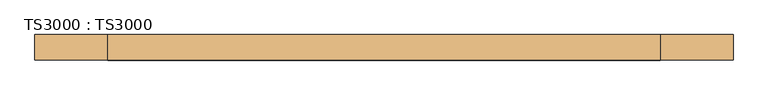
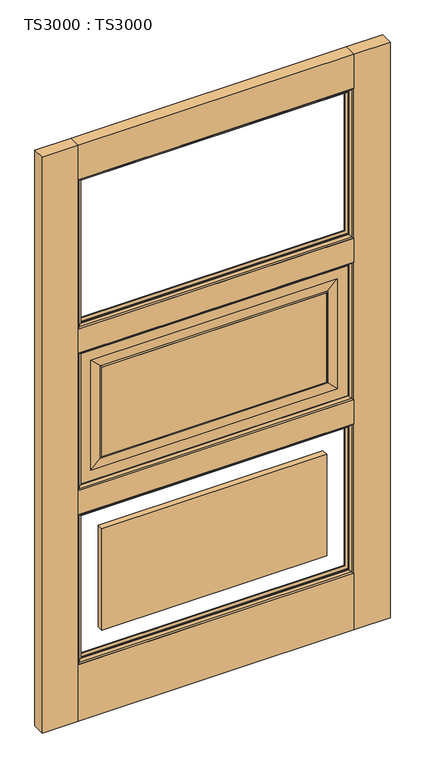
"""IFC4 building model written with IfcOpenShell, lengths in millimetres: door geometry, TS3000 : TS3000."""

from ifc_helpers import new_model, si_unit, frame, origin, origin_with_axes, place, context, project, spatial, polyline, ellipse_curve, outline, extrude, source, transform, mapped, element, save
from ifc_brep_helpers import plane_surface, revolved_surface, advanced_brep


def ts3000_ts3000_820fce27(model_context):
    return source(origin(), model_context, "Body", "SolidModel", [
        advanced_brep(
        [(1092.2, -12.7, 1363.1333333), (1092.2, -31.75, 1363.1333333), (1092.2, -31.75, 853.0166667), (1092.2, -12.7, 853.0166667), (127.0, -31.75, 1363.1333333), (127.0, -31.75, 853.0166667), (1041.4, -31.75, 903.8166667), (177.8, -31.75, 903.8166667), (177.8, -31.75, 1312.3333333), (1041.4, -31.75, 1312.3333333), (127.0, -12.7, 853.0166667), (127.0, -12.7, 1363.1333333), (1041.4, -12.7, 1312.3333333), (177.8, -12.7, 1312.3333333), (177.8, -12.7, 903.8166667), (1041.4, -12.7, 903.8166667), (1003.3, -33.3375, 1274.2333333), (1003.3, -11.1125, 1274.2333333), (1003.3, -11.1125, 941.9166667), (1003.3, -33.3375, 941.9166667), (1008.0625, -13.49375, 1278.9958333), (1008.0625, -13.49375, 937.1541667), (215.9, -11.1125, 941.9166667), (215.9, -33.3375, 941.9166667), (1008.0625, -30.95625, 1278.9958333), (1008.0625, -30.95625, 937.1541667), (211.1375, -13.49375, 937.1541667), (215.9, -11.1125, 1274.2333333), (215.9, -33.3375, 1274.2333333), (211.1375, -30.95625, 937.1541667), (211.1375, -13.49375, 1278.9958333), (211.1375, -30.95625, 1278.9958333)],
        [
            (0, 1),
            (1, 2),
            (2, 3),
            (3, 0),
            (1, 4),
            (4, 5),
            (5, 2),
            (6, 7),
            (7, 8),
            (8, 9),
            (9, 6),
            (5, 10),
            (10, 3),
            (10, 11),
            (11, 0),
            (12, 13),
            (13, 14),
            (14, 15),
            (15, 12),
            (16, 17),
            (17, 18),
            (18, 19),
            (19, 16),
            (17, 20, ellipse_curve(frame((1008.5585938, -6.5484375, 1279.4919271), z_axis=(-0.7071067811865475, 0.0, 0.7071067811865475), x_axis=(-0.7071067811865474, 0.0, -0.7071067811865476)), 9.8471798, 6.9630076)),
            (20, 21),
            (21, 18, ellipse_curve(frame((1008.5585938, -6.5484375, 936.6580729), z_axis=(-0.7071067811865475, 0.0, -0.7071067811865475), x_axis=(0.7071067811865474, 0.0, -0.7071067811865476)), 9.8471798, 6.9630076)),
            (18, 22),
            (22, 23),
            (23, 19),
            (24, 16, ellipse_curve(frame((1008.5585938, -37.9015625, 1279.4919271), z_axis=(-0.7071067811865475, 0.0, 0.7071067811865475), x_axis=(-0.7071067811865474, 0.0, -0.7071067811865476)), 9.8471798, 6.9630076)),
            (19, 25, ellipse_curve(frame((1008.5585938, -37.9015625, 936.6580729), z_axis=(-0.7071067811865475, 0.0, -0.7071067811865475), x_axis=(0.7071067811865474, 0.0, -0.7071067811865476)), 9.8471798, 6.9630076)),
            (25, 24),
            (4, 11),
            (21, 26),
            (26, 22, ellipse_curve(frame((210.6414063, -6.5484375, 936.6580729), z_axis=(-0.7071067811865475, 0.0, 0.7071067811865475), x_axis=(-0.7071067811865476, 0.0, -0.7071067811865474)), 9.8471798, 6.9630076)),
            (22, 27),
            (27, 28),
            (28, 23),
            (23, 29, ellipse_curve(frame((210.6414063, -37.9015625, 936.6580729), z_axis=(-0.7071067811865475, 0.0, 0.7071067811865475), x_axis=(-0.7071067811865476, 0.0, -0.7071067811865474)), 9.8471798, 6.9630076)),
            (29, 25),
            (26, 30),
            (30, 27, ellipse_curve(frame((210.6414063, -6.5484375, 1279.4919271), z_axis=(0.7071067811865475, 0.0, 0.7071067811865475), x_axis=(-0.7071067811865474, 0.0, 0.7071067811865476)), 9.8471798, 6.9630076)),
            (28, 31, ellipse_curve(frame((210.6414063, -37.9015625, 1279.4919271), z_axis=(0.7071067811865475, 0.0, 0.7071067811865475), x_axis=(-0.7071067811865474, 0.0, 0.7071067811865476)), 9.8471798, 6.9630076)),
            (31, 29),
            (6, 25),
            (29, 7),
            (31, 8),
            (9, 24),
            (26, 14),
            (13, 30),
            (21, 15),
            (20, 12),
            (27, 17),
            (16, 28),
            (31, 24),
            (20, 30),
        ],
        [
            plane_surface(frame((1092.2, -31.75, 1363.1333333), z_axis=(1.0, 0.0, 0.0), x_axis=(0.0, 0.0, -1.0))),
            plane_surface(frame((177.8, -31.75, 1312.3333333), z_axis=(0.0, -1.0, 0.0), x_axis=(1.0, 0.0, 0.0))),
            plane_surface(frame((1092.2, -31.75, 853.0166667), z_axis=(0.0, 0.0, -1.0), x_axis=(-1.0, 0.0, 0.0))),
            plane_surface(frame((127.0, -12.7, 1363.1333333), z_axis=(0.0, 1.0, 0.0), x_axis=(1.0, 0.0, 0.0))),
            plane_surface(frame((1003.3, -11.1125, 1274.2333333), z_axis=(-1.0, 0.0, 0.0), x_axis=(0.0, 0.0, -1.0))),
            revolved_surface(polyline([(1001.5955862000001, -6.5484375, 929.6950652878568), (1001.5955862000001, -6.5484375, 1286.4549347121433)]), (1008.5585938, -6.5484375, 1274.2333333), (0.0, 0.0, -1.0)),
            plane_surface(frame((1003.3, -11.1125, 941.9166667), z_axis=(0.0, 0.0, 1.0), x_axis=(-1.0, 0.0, 0.0))),
            revolved_surface(polyline([(1001.5955862000001, -37.9015625, 929.6950652878568), (1001.5955862000001, -37.9015625, 1286.4549347121433)]), (1008.5585938, -37.9015625, 1274.2333333), (0.0, 0.0, -1.0)),
            plane_surface(frame((127.0, -31.75, 853.0166667), z_axis=(-1.0, 0.0, 0.0), x_axis=(0.0, 0.0, 1.0))),
            revolved_surface(polyline([(203.67839868785677, -6.5484375, 943.6210805), (1015.5216014121432, -6.5484375, 943.6210805)]), (1003.3, -6.5484375, 936.6580729), (-1.0, 0.0, 0.0)),
            plane_surface(frame((215.9, -11.1125, 941.9166667), z_axis=(1.0, 0.0, 0.0), x_axis=(0.0, 0.0, 1.0))),
            revolved_surface(polyline([(203.67839868785677, -37.9015625, 943.6210805), (1015.5216014121432, -37.9015625, 943.6210805)]), (1003.3, -37.9015625, 936.6580729), (-1.0, 0.0, 0.0)),
            revolved_surface(polyline([(217.6044139, -6.5484375, 1286.4549347121433), (217.6044139, -6.5484375, 929.6950652878568)]), (210.6414063, -6.5484375, 941.9166667), (0.0, 0.0, 1.0)),
            revolved_surface(polyline([(217.6044139, -37.9015625, 1286.4549347121433), (217.6044139, -37.9015625, 929.6950652878568)]), (210.6414063, -37.9015625, 941.9166667), (0.0, 0.0, 1.0)),
            plane_surface(frame((1008.0625, -30.95625, 937.1541667), z_axis=(0.0, -0.9997166737441345, 0.023802777946362756), x_axis=(-1.0, 0.0, 0.0))),
            plane_surface(frame((211.1375, -30.95625, 937.1541667), z_axis=(0.023802777946359523, -0.9997166737441346, 0.0), x_axis=(0.0, 0.0, 1.0))),
            plane_surface(frame((1008.0625, -30.95625, 1278.9958333), z_axis=(-0.02380277794636599, -0.9997166737441344, 0.0), x_axis=(0.0, 0.0, -1.0))),
            plane_surface(frame((177.8, -12.7, 903.8166667), z_axis=(0.023802777946303297, 0.9997166737441359, 0.0), x_axis=(0.0, 0.0, 1.0))),
            plane_surface(frame((1041.4, -12.7, 903.8166667), z_axis=(0.0, 0.999716673744136, 0.023802777946300063), x_axis=(-1.0, 0.0, 0.0))),
            plane_surface(frame((1041.4, -12.7, 1312.3333333), z_axis=(-0.02380277794629683, 0.9997166737441361, 0.0), x_axis=(0.0, 0.0, -1.0))),
            plane_surface(frame((127.0, -31.75, 1363.1333333), z_axis=(0.0, 0.0, 1.0), x_axis=(1.0, 0.0, 0.0))),
            plane_surface(frame((215.9, -11.1125, 1274.2333333), z_axis=(0.0, 0.0, -1.0), x_axis=(1.0, 0.0, 0.0))),
            plane_surface(frame((211.1375, -30.95625, 1278.9958333), z_axis=(0.0, -0.9997166737441345, -0.023802777946362756), x_axis=(1.0, 0.0, 0.0))),
            plane_surface(frame((177.8, -12.7, 1312.3333333), z_axis=(0.0, 0.999716673744136, -0.023802777946300063), x_axis=(1.0, 0.0, 0.0))),
            revolved_surface(polyline([(1015.5216014121432, -6.5484375, 1272.5289195), (203.6783986878568, -6.5484375, 1272.5289195)]), (215.9, -6.5484375, 1279.4919271), (1.0, 0.0, 0.0)),
            revolved_surface(polyline([(1015.5216014121432, -37.9015625, 1272.5289195), (203.6783986878568, -37.9015625, 1272.5289195)]), (215.9, -37.9015625, 1279.4919271), (1.0, 0.0, 0.0)),
        ],
        [
            (0, [[1, 2, 3, 4]]),
            (1, [[5, 6, 7, -2], [8, 9, 10, 11]]),
            (2, [[-3, -7, 12, 13]]),
            (3, [[-13, 14, 15, -4], [16, 17, 18, 19]]),
            (4, [[20, 21, 22, 23]]),
            (5, [[24, 25, 26, -21]]),
            (6, [[-22, 27, 28, 29]]),
            (7, [[30, -23, 31, 32]]),
            (8, [[-12, -6, 33, -14]]),
            (9, [[-26, 34, 35, -27]]),
            (10, [[-28, 36, 37, 38]]),
            (11, [[-31, -29, 39, 40]]),
            (12, [[-35, 41, 42, -36]]),
            (13, [[-39, -38, 43, 44]]),
            (14, [[45, -40, 46, -8]]),
            (15, [[-46, -44, 47, -9]]),
            (16, [[48, -32, -45, -11]]),
            (17, [[49, -17, 50, -41]]),
            (18, [[51, -18, -49, -34]]),
            (19, [[52, -19, -51, -25]]),
            (20, [[-33, -5, -1, -15]]),
            (21, [[-37, 53, -20, 54]]),
            (22, [[-47, 55, -48, -10]]),
            (23, [[-50, -16, -52, 56]]),
            (24, [[-42, -56, -24, -53]]),
            (25, [[-43, -54, -30, -55]]),
        ],
    ),
        extrude(outline(polyline([(1092.2, -44.45), (127.0, -44.45), (127.0, 0.0), (1092.2, 0.0), (1092.2, -44.45)])), origin_with_axes(), (0.0, 0.0, 1.0), 209.55),
        extrude(outline(polyline([(1092.2, -44.45), (127.0, -44.45), (127.0, 0.0), (1092.2, 0.0), (1092.2, -44.45)])), frame((0.0, 0.0, 764.1166667), z_axis=(0.0, 0.0, 1.0), x_axis=(1.0, 0.0, 0.0)), (0.0, 0.0, 1.0), 88.9),
        extrude(outline(polyline([(1092.2, -44.45), (127.0, -44.45), (127.0, 0.0), (1092.2, 0.0), (1092.2, -44.45)])), frame((0.0, 0.0, 2006.6), z_axis=(0.0, 0.0, 1.0), x_axis=(1.0, 0.0, 0.0)), (0.0, 0.0, 1.0), 127.0),
        extrude(outline(polyline([(1092.2, -44.45), (127.0, -44.45), (127.0, 0.0), (1092.2, 0.0), (1092.2, -44.45)])), frame((0.0, 0.0, 1363.1333333), z_axis=(0.0, 0.0, 1.0), x_axis=(1.0, 0.0, 0.0)), (0.0, 0.0, 1.0), 88.9),
        extrude(outline(polyline([(215.9, -11.1125), (1003.3, -11.1125), (1003.3, -33.3375), (215.9, -33.3375), (215.9, -11.1125)])), frame((0.0, 0.0, 298.45), z_axis=(0.0, 0.0, 1.0), x_axis=(1.0, 0.0, 0.0)), (0.0, 0.0, 1.0), 376.7666667),
        extrude(outline(polyline([(215.9, -11.1125), (1003.3, -11.1125), (1003.3, -33.3375), (215.9, -33.3375), (215.9, -11.1125)])), frame((0.0, 0.0, 941.9166667), z_axis=(0.0, 0.0, 1.0), x_axis=(1.0, 0.0, 0.0)), (0.0, 0.0, 1.0), 332.3166667),
        extrude(outline(polyline([(1219.2, -44.45), (1092.2, -44.45), (1092.2, 0.0), (1219.2, 0.0), (1219.2, -44.45)])), origin_with_axes(), (0.0, 0.0, 1.0), 2133.6),
        extrude(outline(polyline([(127.0, -44.45), (0.0, -44.45), (0.0, 0.0), (127.0, 0.0), (127.0, -44.45)])), origin_with_axes(), (0.0, 0.0, 1.0), 2133.6),
        advanced_brep(
        [(1092.2, -31.75, 764.1166667), (1092.2, -44.4610047, 764.1166667), (1092.2, -44.4610047, 209.55), (1092.2, -31.75, 209.55), (1079.4912454, -34.925, 751.407912), (1079.4912454, -31.75, 751.407912), (1079.4912454, -31.75, 222.2587546), (1079.4912454, -34.925, 222.2587546), (1087.3328423, -41.275, 759.249509), (1087.3328423, -41.275, 214.4171577), (127.0, -44.4610047, 209.55), (127.0, -31.75, 209.55), (139.7087546, -31.75, 222.2587546), (139.7087546, -34.925, 222.2587546), (131.8671577, -41.275, 214.4171577), (127.0, -44.4610047, 764.1166667), (127.0, -31.75, 764.1166667), (139.7087546, -31.75, 751.407912), (139.7087546, -34.925, 751.407912), (131.8671577, -41.275, 759.249509)],
        [
            (0, 1),
            (1, 2),
            (2, 3),
            (3, 0),
            (4, 5),
            (5, 6),
            (6, 7),
            (7, 4),
            (8, 4, ellipse_curve(frame((1075.349739, -48.0561173, 747.2664057), z_axis=(-0.7071067811865475, 0.0, 0.7071067811865475), x_axis=(-0.7071067811865474, 0.0, -0.7071067811865476)), 19.4719447, 13.7687442)),
            (7, 9, ellipse_curve(frame((1075.349739, -48.0561173, 226.400261), z_axis=(-0.7071067811865475, 0.0, -0.7071067811865475), x_axis=(0.7071067811865474, 0.0, -0.7071067811865476)), 19.4719447, 13.7687442)),
            (9, 8),
            (1, 8, ellipse_curve(frame((1084.2613821, -51.2778746, 756.1780488), z_axis=(-0.7071067811865475, 0.0, 0.7071067811865475), x_axis=(-0.7071067811865474, 0.0, -0.7071067811865476)), 14.7980653, 10.4638123)),
            (9, 2, ellipse_curve(frame((1084.2613821, -51.2778746, 217.4886179), z_axis=(-0.7071067811865475, 0.0, -0.7071067811865475), x_axis=(0.7071067811865474, 0.0, -0.7071067811865476)), 14.7980653, 10.4638123)),
            (2, 10),
            (10, 11),
            (11, 3),
            (6, 12),
            (12, 13),
            (13, 7),
            (13, 14, ellipse_curve(frame((143.850261, -48.0561173, 226.400261), z_axis=(-0.7071067811865475, 0.0, 0.7071067811865475), x_axis=(-0.7071067811865476, 0.0, -0.7071067811865474)), 19.4719447, 13.7687442)),
            (14, 9),
            (14, 10, ellipse_curve(frame((134.9386179, -51.2778746, 217.4886179), z_axis=(-0.7071067811865475, 0.0, 0.7071067811865475), x_axis=(-0.7071067811865476, 0.0, -0.7071067811865474)), 14.7980653, 10.4638123)),
            (10, 15),
            (15, 16),
            (16, 11),
            (12, 17),
            (17, 18),
            (18, 13),
            (18, 19, ellipse_curve(frame((143.850261, -48.0561173, 747.2664057), z_axis=(0.7071067811865475, 0.0, 0.7071067811865475), x_axis=(-0.7071067811865474, 0.0, 0.7071067811865476)), 19.4719447, 13.7687442)),
            (19, 14),
            (19, 15, ellipse_curve(frame((134.9386179, -51.2778746, 756.1780488), z_axis=(0.7071067811865475, 0.0, 0.7071067811865475), x_axis=(-0.7071067811865474, 0.0, 0.7071067811865476)), 14.7980653, 10.4638123)),
            (15, 1),
            (0, 16),
            (5, 17),
            (4, 18),
            (8, 19),
        ],
        [
            plane_surface(frame((1092.2, -44.4610047, 764.1166667), z_axis=(1.0, 0.0, 0.0), x_axis=(0.0, 0.0, -1.0))),
            plane_surface(frame((1079.4912454, -31.75, 751.407912), z_axis=(-1.0, 0.0, 0.0), x_axis=(0.0, 0.0, -1.0))),
            revolved_surface(polyline([(1061.5809948, -48.0561173, 212.6315168597406), (1061.5809948, -48.0561173, 761.0351498402594)]), (1075.349739, -48.0561173, 764.1166667), (0.0, 0.0, -1.0)),
            revolved_surface(polyline([(1073.7975698, -51.2778746, 207.02480557792865), (1073.7975698, -51.2778746, 766.6418611220714)]), (1084.2613821, -51.2778746, 764.1166667), (0.0, 0.0, -1.0)),
            plane_surface(frame((1092.2, -44.4610047, 209.55), z_axis=(0.0, 0.0, -1.0), x_axis=(-1.0, 0.0, 0.0))),
            plane_surface(frame((1079.4912454, -31.75, 222.2587546), z_axis=(0.0, 0.0, 1.0), x_axis=(-1.0, 0.0, 0.0))),
            revolved_surface(polyline([(130.08151685974065, -48.0561173, 240.16900520000002), (1089.1184831402595, -48.0561173, 240.16900520000002)]), (1092.2, -48.0561173, 226.400261), (-1.0, 0.0, 0.0)),
            revolved_surface(polyline([(124.47480557792869, -51.2778746, 227.9524302), (1094.7251944220714, -51.2778746, 227.9524302)]), (1092.2, -51.2778746, 217.4886179), (-1.0, 0.0, 0.0)),
            plane_surface(frame((127.0, -44.4610047, 209.55), z_axis=(-1.0, 0.0, 0.0), x_axis=(0.0, 0.0, 1.0))),
            plane_surface(frame((139.7087546, -31.75, 222.2587546), z_axis=(1.0, 0.0, 0.0), x_axis=(0.0, 0.0, 1.0))),
            revolved_surface(polyline([(157.6190052, -48.0561173, 761.0351498402595), (157.6190052, -48.0561173, 212.63151685974054)]), (143.850261, -48.0561173, 209.55), (0.0, 0.0, 1.0)),
            revolved_surface(polyline([(145.4024302, -51.2778746, 766.6418611220713), (145.4024302, -51.2778746, 207.02480557792867)]), (134.9386179, -51.2778746, 209.55), (0.0, 0.0, 1.0)),
            plane_surface(frame((127.0, -44.4610047, 764.1166667), z_axis=(0.0, 0.0, 1.0), x_axis=(1.0, 0.0, 0.0))),
            plane_surface(frame((127.0, -31.75, 764.1166667), z_axis=(0.0, 1.0, 0.0), x_axis=(1.0, 0.0, 0.0))),
            plane_surface(frame((139.7087546, -31.75, 751.407912), z_axis=(0.0, 0.0, -1.0), x_axis=(1.0, 0.0, 0.0))),
            revolved_surface(polyline([(1089.1184831402593, -48.0561173, 733.4976614999999), (130.08151685974053, -48.0561173, 733.4976614999999)]), (127.0, -48.0561173, 747.2664057), (1.0, 0.0, 0.0)),
            revolved_surface(polyline([(1094.7251944220714, -51.2778746, 745.7142365000001), (124.47480557792866, -51.2778746, 745.7142365000001)]), (127.0, -51.2778746, 756.1780488), (1.0, 0.0, 0.0)),
        ],
        [
            (0, [[1, 2, 3, 4]]),
            (1, [[5, 6, 7, 8]]),
            (2, [[9, -8, 10, 11]]),
            (3, [[12, -11, 13, -2]]),
            (4, [[-3, 14, 15, 16]]),
            (5, [[-7, 17, 18, 19]]),
            (6, [[-10, -19, 20, 21]]),
            (7, [[-13, -21, 22, -14]]),
            (8, [[-15, 23, 24, 25]]),
            (9, [[-18, 26, 27, 28]]),
            (10, [[-20, -28, 29, 30]]),
            (11, [[-22, -30, 31, -23]]),
            (12, [[-24, 32, -1, 33]]),
            (13, [[-16, -25, -33, -4], [34, -26, -17, -6]]),
            (14, [[-27, -34, -5, 35]]),
            (15, [[-29, -35, -9, 36]]),
            (16, [[-31, -36, -12, -32]]),
        ],
    ),
        advanced_brep(
        [(1087.3328423, -3.175, 759.249509), (1092.2, 0.0110047, 764.1166667), (1092.2, 0.0110047, 209.55), (1087.3328423, -3.175, 214.4171577), (1079.4912454, -9.525, 751.407912), (1079.4912454, -9.525, 222.2587546), (1079.4912454, -12.7, 751.407912), (1079.4912454, -12.7, 222.2587546), (1092.2, -12.7, 764.1166667), (1092.2, -12.7, 209.55), (127.0, 0.0110047, 209.55), (131.8671577, -3.175, 214.4171577), (139.7087546, -9.525, 222.2587546), (139.7087546, -12.7, 222.2587546), (127.0, -12.7, 209.55), (127.0, 0.0110047, 764.1166667), (131.8671577, -3.175, 759.249509), (139.7087546, -9.525, 751.407912), (139.7087546, -12.7, 751.407912), (127.0, -12.7, 764.1166667)],
        [
            (0, 1, ellipse_curve(frame((1084.2613821, 6.8278746, 756.1780488), z_axis=(-0.7071067811865475, 0.0, 0.7071067811865475), x_axis=(-0.7071067811865474, 0.0, -0.7071067811865476)), 14.7980653, 10.4638123)),
            (1, 2),
            (2, 3, ellipse_curve(frame((1084.2613821, 6.8278746, 217.4886179), z_axis=(-0.7071067811865475, 0.0, -0.7071067811865475), x_axis=(0.7071067811865474, 0.0, -0.7071067811865476)), 14.7980653, 10.4638123)),
            (3, 0),
            (4, 0, ellipse_curve(frame((1075.349739, 3.6061173, 747.2664057), z_axis=(-0.7071067811865475, 0.0, 0.7071067811865475), x_axis=(-0.7071067811865474, 0.0, -0.7071067811865476)), 19.4719447, 13.7687442)),
            (3, 5, ellipse_curve(frame((1075.349739, 3.6061173, 226.400261), z_axis=(-0.7071067811865475, 0.0, -0.7071067811865475), x_axis=(0.7071067811865474, 0.0, -0.7071067811865476)), 19.4719447, 13.7687442)),
            (5, 4),
            (6, 4),
            (5, 7),
            (7, 6),
            (1, 8),
            (8, 9),
            (9, 2),
            (2, 10),
            (10, 11, ellipse_curve(frame((134.9386179, 6.8278746, 217.4886179), z_axis=(-0.7071067811865475, 0.0, 0.7071067811865475), x_axis=(-0.7071067811865476, 0.0, -0.7071067811865474)), 14.7980653, 10.4638123)),
            (11, 3),
            (11, 12, ellipse_curve(frame((143.850261, 3.6061173, 226.400261), z_axis=(-0.7071067811865475, 0.0, 0.7071067811865475), x_axis=(-0.7071067811865476, 0.0, -0.7071067811865474)), 19.4719447, 13.7687442)),
            (12, 5),
            (12, 13),
            (13, 7),
            (9, 14),
            (14, 10),
            (10, 15),
            (15, 16, ellipse_curve(frame((134.9386179, 6.8278746, 756.1780488), z_axis=(0.7071067811865475, 0.0, 0.7071067811865475), x_axis=(-0.7071067811865474, 0.0, 0.7071067811865476)), 14.7980653, 10.4638123)),
            (16, 11),
            (16, 17, ellipse_curve(frame((143.850261, 3.6061173, 747.2664057), z_axis=(0.7071067811865475, 0.0, 0.7071067811865475), x_axis=(-0.7071067811865474, 0.0, 0.7071067811865476)), 19.4719447, 13.7687442)),
            (17, 12),
            (17, 18),
            (18, 13),
            (14, 19),
            (19, 15),
            (15, 1),
            (0, 16),
            (4, 17),
            (6, 18),
            (8, 19),
        ],
        [
            revolved_surface(polyline([(1073.7975698, 6.8278746, 207.02480557792865), (1073.7975698, 6.8278746, 766.6418611220714)]), (1084.2613821, 6.8278746, 764.1166667), (0.0, 0.0, -1.0)),
            revolved_surface(polyline([(1061.5809948, 3.6061173, 212.6315168597406), (1061.5809948, 3.6061173, 761.0351498402594)]), (1075.349739, 3.6061173, 764.1166667), (0.0, 0.0, -1.0)),
            plane_surface(frame((1079.4912454, -9.525, 751.407912), z_axis=(-1.0, 0.0, 0.0), x_axis=(0.0, 0.0, -1.0))),
            plane_surface(frame((1092.2, -12.7, 764.1166667), z_axis=(1.0, 0.0, 0.0), x_axis=(0.0, 0.0, -1.0))),
            revolved_surface(polyline([(124.47480557792869, 6.8278746, 227.9524302), (1094.7251944220714, 6.8278746, 227.9524302)]), (1092.2, 6.8278746, 217.4886179), (-1.0, 0.0, 0.0)),
            revolved_surface(polyline([(130.08151685974065, 3.6061173, 240.16900520000002), (1089.1184831402595, 3.6061173, 240.16900520000002)]), (1092.2, 3.6061173, 226.400261), (-1.0, 0.0, 0.0)),
            plane_surface(frame((1079.4912454, -9.525, 222.2587546), z_axis=(0.0, 0.0, 1.0), x_axis=(-1.0, 0.0, 0.0))),
            plane_surface(frame((1092.2, -12.7, 209.55), z_axis=(0.0, 0.0, -1.0), x_axis=(-1.0, 0.0, 0.0))),
            revolved_surface(polyline([(145.4024302, 6.8278746, 766.6418611220713), (145.4024302, 6.8278746, 207.02480557792867)]), (134.9386179, 6.8278746, 209.55), (0.0, 0.0, 1.0)),
            revolved_surface(polyline([(157.6190052, 3.6061173, 761.0351498402595), (157.6190052, 3.6061173, 212.63151685974054)]), (143.850261, 3.6061173, 209.55), (0.0, 0.0, 1.0)),
            plane_surface(frame((139.7087546, -9.525, 222.2587546), z_axis=(1.0, 0.0, 0.0), x_axis=(0.0, 0.0, 1.0))),
            plane_surface(frame((127.0, -12.7, 209.55), z_axis=(-1.0, 0.0, 0.0), x_axis=(0.0, 0.0, 1.0))),
            revolved_surface(polyline([(1094.7251944220714, 6.8278746, 745.7142365000001), (124.47480557792866, 6.8278746, 745.7142365000001)]), (127.0, 6.8278746, 756.1780488), (1.0, 0.0, 0.0)),
            revolved_surface(polyline([(1089.1184831402593, 3.6061173, 733.4976614999999), (130.08151685974053, 3.6061173, 733.4976614999999)]), (127.0, 3.6061173, 747.2664057), (1.0, 0.0, 0.0)),
            plane_surface(frame((139.7087546, -9.525, 751.407912), z_axis=(0.0, 0.0, -1.0), x_axis=(1.0, 0.0, 0.0))),
            plane_surface(frame((139.7087546, -12.7, 751.407912), z_axis=(0.0, -1.0, 0.0), x_axis=(1.0, 0.0, 0.0))),
            plane_surface(frame((127.0, -12.7, 764.1166667), z_axis=(0.0, 0.0, 1.0), x_axis=(1.0, 0.0, 0.0))),
        ],
        [
            (0, [[1, 2, 3, 4]]),
            (1, [[5, -4, 6, 7]]),
            (2, [[8, -7, 9, 10]]),
            (3, [[11, 12, 13, -2]]),
            (4, [[-3, 14, 15, 16]]),
            (5, [[-6, -16, 17, 18]]),
            (6, [[-9, -18, 19, 20]]),
            (7, [[-13, 21, 22, -14]]),
            (8, [[-15, 23, 24, 25]]),
            (9, [[-17, -25, 26, 27]]),
            (10, [[-19, -27, 28, 29]]),
            (11, [[-22, 30, 31, -23]]),
            (12, [[-24, 32, -1, 33]]),
            (13, [[-26, -33, -5, 34]]),
            (14, [[-28, -34, -8, 35]]),
            (15, [[36, -30, -21, -12], [-20, -29, -35, -10]]),
            (16, [[-31, -36, -11, -32]]),
        ],
    ),
        advanced_brep(
        [(1092.2, -31.75, 1363.1333333), (1092.2, -44.4610047, 1363.1333333), (1092.2, -44.4610047, 853.0166667), (1092.2, -31.75, 853.0166667), (1079.4912454, -34.925, 1350.4245787), (1079.4912454, -31.75, 1350.4245787), (1079.4912454, -31.75, 865.7254213), (1079.4912454, -34.925, 865.7254213), (1087.3328423, -41.275, 1358.2661757), (1087.3328423, -41.275, 857.8838243), (127.0, -44.4610047, 853.0166667), (127.0, -31.75, 853.0166667), (139.7087546, -31.75, 865.7254213), (139.7087546, -34.925, 865.7254213), (131.8671577, -41.275, 857.8838243), (127.0, -44.4610047, 1363.1333333), (127.0, -31.75, 1363.1333333), (139.7087546, -31.75, 1350.4245787), (139.7087546, -34.925, 1350.4245787), (131.8671577, -41.275, 1358.2661757)],
        [
            (0, 1),
            (1, 2),
            (2, 3),
            (3, 0),
            (4, 5),
            (5, 6),
            (6, 7),
            (7, 4),
            (8, 4, ellipse_curve(frame((1075.349739, -48.0561173, 1346.2830724), z_axis=(-0.7071067811865475, 0.0, 0.7071067811865475), x_axis=(-0.7071067811865474, 0.0, -0.7071067811865476)), 19.4719447, 13.7687442)),
            (7, 9, ellipse_curve(frame((1075.349739, -48.0561173, 869.8669276), z_axis=(-0.7071067811865475, 0.0, -0.7071067811865475), x_axis=(0.7071067811865474, 0.0, -0.7071067811865476)), 19.4719447, 13.7687442)),
            (9, 8),
            (1, 8, ellipse_curve(frame((1084.2613821, -51.2778746, 1355.1947155), z_axis=(-0.7071067811865475, 0.0, 0.7071067811865475), x_axis=(-0.7071067811865474, 0.0, -0.7071067811865476)), 14.7980653, 10.4638123)),
            (9, 2, ellipse_curve(frame((1084.2613821, -51.2778746, 860.9552845), z_axis=(-0.7071067811865475, 0.0, -0.7071067811865475), x_axis=(0.7071067811865474, 0.0, -0.7071067811865476)), 14.7980653, 10.4638123)),
            (2, 10),
            (10, 11),
            (11, 3),
            (6, 12),
            (12, 13),
            (13, 7),
            (13, 14, ellipse_curve(frame((143.850261, -48.0561173, 869.8669276), z_axis=(-0.7071067811865475, 0.0, 0.7071067811865475), x_axis=(-0.7071067811865476, 0.0, -0.7071067811865474)), 19.4719447, 13.7687442)),
            (14, 9),
            (14, 10, ellipse_curve(frame((134.9386179, -51.2778746, 860.9552845), z_axis=(-0.7071067811865475, 0.0, 0.7071067811865475), x_axis=(-0.7071067811865476, 0.0, -0.7071067811865474)), 14.7980653, 10.4638123)),
            (10, 15),
            (15, 16),
            (16, 11),
            (12, 17),
            (17, 18),
            (18, 13),
            (18, 19, ellipse_curve(frame((143.850261, -48.0561173, 1346.2830724), z_axis=(0.7071067811865475, 0.0, 0.7071067811865475), x_axis=(-0.7071067811865474, 0.0, 0.7071067811865476)), 19.4719447, 13.7687442)),
            (19, 14),
            (19, 15, ellipse_curve(frame((134.9386179, -51.2778746, 1355.1947155), z_axis=(0.7071067811865475, 0.0, 0.7071067811865475), x_axis=(-0.7071067811865474, 0.0, 0.7071067811865476)), 14.7980653, 10.4638123)),
            (15, 1),
            (0, 16),
            (5, 17),
            (4, 18),
            (8, 19),
        ],
        [
            plane_surface(frame((1092.2, -44.4610047, 1363.1333333), z_axis=(1.0, 0.0, 0.0), x_axis=(0.0, 0.0, -1.0))),
            plane_surface(frame((1079.4912454, -31.75, 1350.4245787), z_axis=(-1.0, 0.0, 0.0), x_axis=(0.0, 0.0, -1.0))),
            revolved_surface(polyline([(1061.5809948, -48.0561173, 856.0981834597405), (1061.5809948, -48.0561173, 1360.0518165402596)]), (1075.349739, -48.0561173, 1363.1333333), (0.0, 0.0, -1.0)),
            revolved_surface(polyline([(1073.7975698, -51.2778746, 850.4914721779286), (1073.7975698, -51.2778746, 1365.6585278220714)]), (1084.2613821, -51.2778746, 1363.1333333), (0.0, 0.0, -1.0)),
            plane_surface(frame((1092.2, -44.4610047, 853.0166667), z_axis=(0.0, 0.0, -1.0), x_axis=(-1.0, 0.0, 0.0))),
            plane_surface(frame((1079.4912454, -31.75, 865.7254213), z_axis=(0.0, 0.0, 1.0), x_axis=(-1.0, 0.0, 0.0))),
            revolved_surface(polyline([(130.08151685974065, -48.0561173, 883.6356718000001), (1089.1184831402595, -48.0561173, 883.6356718000001)]), (1092.2, -48.0561173, 869.8669276), (-1.0, 0.0, 0.0)),
            revolved_surface(polyline([(124.47480557792869, -51.2778746, 871.4190967999999), (1094.7251944220714, -51.2778746, 871.4190967999999)]), (1092.2, -51.2778746, 860.9552845), (-1.0, 0.0, 0.0)),
            plane_surface(frame((127.0, -44.4610047, 853.0166667), z_axis=(-1.0, 0.0, 0.0), x_axis=(0.0, 0.0, 1.0))),
            plane_surface(frame((139.7087546, -31.75, 865.7254213), z_axis=(1.0, 0.0, 0.0), x_axis=(0.0, 0.0, 1.0))),
            revolved_surface(polyline([(157.6190052, -48.0561173, 1360.0518165402596), (157.6190052, -48.0561173, 856.0981834597407)]), (143.850261, -48.0561173, 853.0166667), (0.0, 0.0, 1.0)),
            revolved_surface(polyline([(145.4024302, -51.2778746, 1365.6585278220714), (145.4024302, -51.2778746, 850.4914721779286)]), (134.9386179, -51.2778746, 853.0166667), (0.0, 0.0, 1.0)),
            plane_surface(frame((127.0, -44.4610047, 1363.1333333), z_axis=(0.0, 0.0, 1.0), x_axis=(1.0, 0.0, 0.0))),
            plane_surface(frame((127.0, -31.75, 1363.1333333), z_axis=(0.0, 1.0, 0.0), x_axis=(1.0, 0.0, 0.0))),
            plane_surface(frame((139.7087546, -31.75, 1350.4245787), z_axis=(0.0, 0.0, -1.0), x_axis=(1.0, 0.0, 0.0))),
            revolved_surface(polyline([(1089.1184831402593, -48.0561173, 1332.5143282000001), (130.08151685974053, -48.0561173, 1332.5143282000001)]), (127.0, -48.0561173, 1346.2830724), (1.0, 0.0, 0.0)),
            revolved_surface(polyline([(1094.7251944220714, -51.2778746, 1344.7309032), (124.47480557792866, -51.2778746, 1344.7309032)]), (127.0, -51.2778746, 1355.1947155), (1.0, 0.0, 0.0)),
        ],
        [
            (0, [[1, 2, 3, 4]]),
            (1, [[5, 6, 7, 8]]),
            (2, [[9, -8, 10, 11]]),
            (3, [[12, -11, 13, -2]]),
            (4, [[-3, 14, 15, 16]]),
            (5, [[-7, 17, 18, 19]]),
            (6, [[-10, -19, 20, 21]]),
            (7, [[-13, -21, 22, -14]]),
            (8, [[-15, 23, 24, 25]]),
            (9, [[-18, 26, 27, 28]]),
            (10, [[-20, -28, 29, 30]]),
            (11, [[-22, -30, 31, -23]]),
            (12, [[-24, 32, -1, 33]]),
            (13, [[-16, -25, -33, -4], [34, -26, -17, -6]]),
            (14, [[-27, -34, -5, 35]]),
            (15, [[-29, -35, -9, 36]]),
            (16, [[-31, -36, -12, -32]]),
        ],
    ),
        advanced_brep(
        [(1087.3328423, -3.175, 1358.2661757), (1092.2, 0.0110047, 1363.1333333), (1092.2, 0.0110047, 853.0166667), (1087.3328423, -3.175, 857.8838243), (1079.4912454, -9.525, 1350.4245787), (1079.4912454, -9.525, 865.7254213), (1079.4912454, -12.7, 1350.4245787), (1079.4912454, -12.7, 865.7254213), (1092.2, -12.7, 1363.1333333), (1092.2, -12.7, 853.0166667), (127.0, 0.0110047, 853.0166667), (131.8671577, -3.175, 857.8838243), (139.7087546, -9.525, 865.7254213), (139.7087546, -12.7, 865.7254213), (127.0, -12.7, 853.0166667), (127.0, 0.0110047, 1363.1333333), (131.8671577, -3.175, 1358.2661757), (139.7087546, -9.525, 1350.4245787), (139.7087546, -12.7, 1350.4245787), (127.0, -12.7, 1363.1333333)],
        [
            (0, 1, ellipse_curve(frame((1084.2613821, 6.8278746, 1355.1947155), z_axis=(-0.7071067811865475, 0.0, 0.7071067811865475), x_axis=(-0.7071067811865474, 0.0, -0.7071067811865476)), 14.7980653, 10.4638123)),
            (1, 2),
            (2, 3, ellipse_curve(frame((1084.2613821, 6.8278746, 860.9552845), z_axis=(-0.7071067811865475, 0.0, -0.7071067811865475), x_axis=(0.7071067811865474, 0.0, -0.7071067811865476)), 14.7980653, 10.4638123)),
            (3, 0),
            (4, 0, ellipse_curve(frame((1075.349739, 3.6061173, 1346.2830724), z_axis=(-0.7071067811865475, 0.0, 0.7071067811865475), x_axis=(-0.7071067811865474, 0.0, -0.7071067811865476)), 19.4719447, 13.7687442)),
            (3, 5, ellipse_curve(frame((1075.349739, 3.6061173, 869.8669276), z_axis=(-0.7071067811865475, 0.0, -0.7071067811865475), x_axis=(0.7071067811865474, 0.0, -0.7071067811865476)), 19.4719447, 13.7687442)),
            (5, 4),
            (6, 4),
            (5, 7),
            (7, 6),
            (1, 8),
            (8, 9),
            (9, 2),
            (2, 10),
            (10, 11, ellipse_curve(frame((134.9386179, 6.8278746, 860.9552845), z_axis=(-0.7071067811865475, 0.0, 0.7071067811865475), x_axis=(-0.7071067811865476, 0.0, -0.7071067811865474)), 14.7980653, 10.4638123)),
            (11, 3),
            (11, 12, ellipse_curve(frame((143.850261, 3.6061173, 869.8669276), z_axis=(-0.7071067811865475, 0.0, 0.7071067811865475), x_axis=(-0.7071067811865476, 0.0, -0.7071067811865474)), 19.4719447, 13.7687442)),
            (12, 5),
            (12, 13),
            (13, 7),
            (9, 14),
            (14, 10),
            (10, 15),
            (15, 16, ellipse_curve(frame((134.9386179, 6.8278746, 1355.1947155), z_axis=(0.7071067811865475, 0.0, 0.7071067811865475), x_axis=(-0.7071067811865474, 0.0, 0.7071067811865476)), 14.7980653, 10.4638123)),
            (16, 11),
            (16, 17, ellipse_curve(frame((143.850261, 3.6061173, 1346.2830724), z_axis=(0.7071067811865475, 0.0, 0.7071067811865475), x_axis=(-0.7071067811865474, 0.0, 0.7071067811865476)), 19.4719447, 13.7687442)),
            (17, 12),
            (17, 18),
            (18, 13),
            (14, 19),
            (19, 15),
            (15, 1),
            (0, 16),
            (4, 17),
            (6, 18),
            (8, 19),
        ],
        [
            revolved_surface(polyline([(1073.7975698, 6.8278746, 850.4914721779286), (1073.7975698, 6.8278746, 1365.6585278220714)]), (1084.2613821, 6.8278746, 1363.1333333), (0.0, 0.0, -1.0)),
            revolved_surface(polyline([(1061.5809948, 3.6061173, 856.0981834597405), (1061.5809948, 3.6061173, 1360.0518165402596)]), (1075.349739, 3.6061173, 1363.1333333), (0.0, 0.0, -1.0)),
            plane_surface(frame((1079.4912454, -9.525, 1350.4245787), z_axis=(-1.0, 0.0, 0.0), x_axis=(0.0, 0.0, -1.0))),
            plane_surface(frame((1092.2, -12.7, 1363.1333333), z_axis=(1.0, 0.0, 0.0), x_axis=(0.0, 0.0, -1.0))),
            revolved_surface(polyline([(124.47480557792869, 6.8278746, 871.4190967999999), (1094.7251944220714, 6.8278746, 871.4190967999999)]), (1092.2, 6.8278746, 860.9552845), (-1.0, 0.0, 0.0)),
            revolved_surface(polyline([(130.08151685974065, 3.6061173, 883.6356718000001), (1089.1184831402595, 3.6061173, 883.6356718000001)]), (1092.2, 3.6061173, 869.8669276), (-1.0, 0.0, 0.0)),
            plane_surface(frame((1079.4912454, -9.525, 865.7254213), z_axis=(0.0, 0.0, 1.0), x_axis=(-1.0, 0.0, 0.0))),
            plane_surface(frame((1092.2, -12.7, 853.0166667), z_axis=(0.0, 0.0, -1.0), x_axis=(-1.0, 0.0, 0.0))),
            revolved_surface(polyline([(145.4024302, 6.8278746, 1365.6585278220714), (145.4024302, 6.8278746, 850.4914721779286)]), (134.9386179, 6.8278746, 853.0166667), (0.0, 0.0, 1.0)),
            revolved_surface(polyline([(157.6190052, 3.6061173, 1360.0518165402596), (157.6190052, 3.6061173, 856.0981834597407)]), (143.850261, 3.6061173, 853.0166667), (0.0, 0.0, 1.0)),
            plane_surface(frame((139.7087546, -9.525, 865.7254213), z_axis=(1.0, 0.0, 0.0), x_axis=(0.0, 0.0, 1.0))),
            plane_surface(frame((127.0, -12.7, 853.0166667), z_axis=(-1.0, 0.0, 0.0), x_axis=(0.0, 0.0, 1.0))),
            revolved_surface(polyline([(1094.7251944220714, 6.8278746, 1344.7309032), (124.47480557792866, 6.8278746, 1344.7309032)]), (127.0, 6.8278746, 1355.1947155), (1.0, 0.0, 0.0)),
            revolved_surface(polyline([(1089.1184831402593, 3.6061173, 1332.5143282000001), (130.08151685974053, 3.6061173, 1332.5143282000001)]), (127.0, 3.6061173, 1346.2830724), (1.0, 0.0, 0.0)),
            plane_surface(frame((139.7087546, -9.525, 1350.4245787), z_axis=(0.0, 0.0, -1.0), x_axis=(1.0, 0.0, 0.0))),
            plane_surface(frame((139.7087546, -12.7, 1350.4245787), z_axis=(0.0, -1.0, 0.0), x_axis=(1.0, 0.0, 0.0))),
            plane_surface(frame((127.0, -12.7, 1363.1333333), z_axis=(0.0, 0.0, 1.0), x_axis=(1.0, 0.0, 0.0))),
        ],
        [
            (0, [[1, 2, 3, 4]]),
            (1, [[5, -4, 6, 7]]),
            (2, [[8, -7, 9, 10]]),
            (3, [[11, 12, 13, -2]]),
            (4, [[-3, 14, 15, 16]]),
            (5, [[-6, -16, 17, 18]]),
            (6, [[-9, -18, 19, 20]]),
            (7, [[-13, 21, 22, -14]]),
            (8, [[-15, 23, 24, 25]]),
            (9, [[-17, -25, 26, 27]]),
            (10, [[-19, -27, 28, 29]]),
            (11, [[-22, 30, 31, -23]]),
            (12, [[-24, 32, -1, 33]]),
            (13, [[-26, -33, -5, 34]]),
            (14, [[-28, -34, -8, 35]]),
            (15, [[36, -30, -21, -12], [-20, -29, -35, -10]]),
            (16, [[-31, -36, -11, -32]]),
        ],
    ),
        advanced_brep(
        [(1092.2, -31.75, 2006.6), (1092.2, -44.4610047, 2006.6), (1092.2, -44.4610047, 1452.0333333), (1092.2, -31.75, 1452.0333333), (1079.4912454, -34.925, 1993.8912454), (1079.4912454, -31.75, 1993.8912454), (1079.4912454, -31.75, 1464.742088), (1079.4912454, -34.925, 1464.742088), (1087.3328423, -41.275, 2001.7328423), (1087.3328423, -41.275, 1456.900491), (127.0, -44.4610047, 1452.0333333), (127.0, -31.75, 1452.0333333), (139.7087546, -31.75, 1464.742088), (139.7087546, -34.925, 1464.742088), (131.8671577, -41.275, 1456.900491), (127.0, -44.4610047, 2006.6), (127.0, -31.75, 2006.6), (139.7087546, -31.75, 1993.8912454), (139.7087546, -34.925, 1993.8912454), (131.8671577, -41.275, 2001.7328423)],
        [
            (0, 1),
            (1, 2),
            (2, 3),
            (3, 0),
            (4, 5),
            (5, 6),
            (6, 7),
            (7, 4),
            (8, 4, ellipse_curve(frame((1076.0743353, -47.1613154, 1990.4743353), z_axis=(-0.7071067811865475, 0.0, 0.7071067811865475), x_axis=(-0.7071067811865474, 0.0, -0.7071067811865476)), 17.9667854, 12.7044358)),
            (7, 9, ellipse_curve(frame((1076.0743353, -47.1613154, 1468.158998), z_axis=(-0.7071067811865475, 0.0, -0.7071067811865475), x_axis=(0.7071067811865474, 0.0, -0.7071067811865476)), 17.9667854, 12.7044358)),
            (9, 8),
            (1, 8, ellipse_curve(frame((1084.9585588, -50.2128202, 1999.3585588), z_axis=(-0.7071067811865475, 0.0, 0.7071067811865475), x_axis=(-0.7071067811865474, 0.0, -0.7071067811865476)), 13.0783678, 9.2478026)),
            (9, 2, ellipse_curve(frame((1084.9585588, -50.2128202, 1459.2747746), z_axis=(-0.7071067811865475, 0.0, -0.7071067811865475), x_axis=(0.7071067811865474, 0.0, -0.7071067811865476)), 13.0783678, 9.2478026)),
            (2, 10),
            (10, 11),
            (11, 3),
            (6, 12),
            (12, 13),
            (13, 7),
            (13, 14, ellipse_curve(frame((143.1256647, -47.1613154, 1468.158998), z_axis=(-0.7071067811865475, 0.0, 0.7071067811865475), x_axis=(-0.7071067811865476, 0.0, -0.7071067811865474)), 17.9667854, 12.7044358)),
            (14, 9),
            (14, 10, ellipse_curve(frame((134.2414412, -50.2128202, 1459.2747746), z_axis=(-0.7071067811865475, 0.0, 0.7071067811865475), x_axis=(-0.7071067811865476, 0.0, -0.7071067811865474)), 13.0783678, 9.2478026)),
            (10, 15),
            (15, 16),
            (16, 11),
            (12, 17),
            (17, 18),
            (18, 13),
            (18, 19, ellipse_curve(frame((143.1256647, -47.1613154, 1990.4743353), z_axis=(0.7071067811865475, 0.0, 0.7071067811865475), x_axis=(-0.7071067811865474, 0.0, 0.7071067811865476)), 17.9667854, 12.7044358)),
            (19, 14),
            (19, 15, ellipse_curve(frame((134.2414412, -50.2128202, 1999.3585588), z_axis=(0.7071067811865475, 0.0, 0.7071067811865475), x_axis=(-0.7071067811865474, 0.0, 0.7071067811865476)), 13.0783678, 9.2478026)),
            (15, 1),
            (0, 16),
            (5, 17),
            (4, 18),
            (8, 19),
        ],
        [
            plane_surface(frame((1092.2, -44.4610047, 2006.6), z_axis=(1.0, 0.0, 0.0), x_axis=(0.0, 0.0, -1.0))),
            plane_surface(frame((1079.4912454, -31.75, 1993.8912454), z_axis=(-1.0, 0.0, 0.0), x_axis=(0.0, 0.0, -1.0))),
            revolved_surface(polyline([(1063.3698995, -47.1613154, 1455.4545622075366), (1063.3698995, -47.1613154, 2003.1787710924634)]), (1076.0743353, -47.1613154, 2006.6), (0.0, 0.0, -1.0)),
            revolved_surface(polyline([(1075.7107562, -50.2128202, 1450.0269720417682), (1075.7107562, -50.2128202, 2008.6063613582319)]), (1084.9585588, -50.2128202, 2006.6), (0.0, 0.0, -1.0)),
            plane_surface(frame((1092.2, -44.4610047, 1452.0333333), z_axis=(0.0, 0.0, -1.0), x_axis=(-1.0, 0.0, 0.0))),
            plane_surface(frame((1079.4912454, -31.75, 1464.742088), z_axis=(0.0, 0.0, 1.0), x_axis=(-1.0, 0.0, 0.0))),
            revolved_surface(polyline([(130.4212289075366, -47.1613154, 1480.8634338000002), (1088.7787710924636, -47.1613154, 1480.8634338000002)]), (1092.2, -47.1613154, 1468.158998), (-1.0, 0.0, 0.0)),
            revolved_surface(polyline([(124.99363864176826, -50.2128202, 1468.5225772), (1094.2063613582318, -50.2128202, 1468.5225772)]), (1092.2, -50.2128202, 1459.2747746), (-1.0, 0.0, 0.0)),
            plane_surface(frame((127.0, -44.4610047, 1452.0333333), z_axis=(-1.0, 0.0, 0.0), x_axis=(0.0, 0.0, 1.0))),
            plane_surface(frame((139.7087546, -31.75, 1464.742088), z_axis=(1.0, 0.0, 0.0), x_axis=(0.0, 0.0, 1.0))),
            revolved_surface(polyline([(155.8301005, -47.1613154, 2003.1787710924632), (155.8301005, -47.1613154, 1455.4545622075366)]), (143.1256647, -47.1613154, 1452.0333333), (0.0, 0.0, 1.0)),
            revolved_surface(polyline([(143.4892438, -50.2128202, 2008.6063613582319), (143.4892438, -50.2128202, 1450.0269720417682)]), (134.2414412, -50.2128202, 1452.0333333), (0.0, 0.0, 1.0)),
            plane_surface(frame((127.0, -44.4610047, 2006.6), z_axis=(0.0, 0.0, 1.0), x_axis=(1.0, 0.0, 0.0))),
            plane_surface(frame((127.0, -31.75, 2006.6), z_axis=(0.0, 1.0, 0.0), x_axis=(1.0, 0.0, 0.0))),
            plane_surface(frame((139.7087546, -31.75, 1993.8912454), z_axis=(0.0, 0.0, -1.0), x_axis=(1.0, 0.0, 0.0))),
            revolved_surface(polyline([(1088.7787710924636, -47.1613154, 1977.7698994999998), (130.42122890753654, -47.1613154, 1977.7698994999998)]), (127.0, -47.1613154, 1990.4743353), (1.0, 0.0, 0.0)),
            revolved_surface(polyline([(1094.2063613582318, -50.2128202, 1990.1107562000002), (124.99363864176821, -50.2128202, 1990.1107562000002)]), (127.0, -50.2128202, 1999.3585588), (1.0, 0.0, 0.0)),
        ],
        [
            (0, [[1, 2, 3, 4]]),
            (1, [[5, 6, 7, 8]]),
            (2, [[9, -8, 10, 11]]),
            (3, [[12, -11, 13, -2]]),
            (4, [[-3, 14, 15, 16]]),
            (5, [[-7, 17, 18, 19]]),
            (6, [[-10, -19, 20, 21]]),
            (7, [[-13, -21, 22, -14]]),
            (8, [[-15, 23, 24, 25]]),
            (9, [[-18, 26, 27, 28]]),
            (10, [[-20, -28, 29, 30]]),
            (11, [[-22, -30, 31, -23]]),
            (12, [[-24, 32, -1, 33]]),
            (13, [[-16, -25, -33, -4], [34, -26, -17, -6]]),
            (14, [[-27, -34, -5, 35]]),
            (15, [[-29, -35, -9, 36]]),
            (16, [[-31, -36, -12, -32]]),
        ],
    ),
        advanced_brep(
        [(1087.3328423, -3.175, 2001.7328423), (1092.2, 0.0110047, 2006.6), (1092.2, 0.0110047, 1452.0333333), (1087.3328423, -3.175, 1456.900491), (1079.4912454, -9.525, 1993.8912454), (1079.4912454, -9.525, 1464.742088), (1079.4912454, -12.7, 1993.8912454), (1079.4912454, -12.7, 1464.742088), (1092.2, -12.7, 2006.6), (1092.2, -12.7, 1452.0333333), (127.0, 0.0110047, 1452.0333333), (131.8671577, -3.175, 1456.900491), (139.7087546, -9.525, 1464.742088), (139.7087546, -12.7, 1464.742088), (127.0, -12.7, 1452.0333333), (127.0, 0.0110047, 2006.6), (131.8671577, -3.175, 2001.7328423), (139.7087546, -9.525, 1993.8912454), (139.7087546, -12.7, 1993.8912454), (127.0, -12.7, 2006.6)],
        [
            (0, 1, ellipse_curve(frame((1084.9585588, 5.7628202, 1999.3585588), z_axis=(-0.7071067811865475, 0.0, 0.7071067811865475), x_axis=(-0.7071067811865474, 0.0, -0.7071067811865476)), 13.0783678, 9.2478026)),
            (1, 2),
            (2, 3, ellipse_curve(frame((1084.9585588, 5.7628202, 1459.2747746), z_axis=(-0.7071067811865475, 0.0, -0.7071067811865475), x_axis=(0.7071067811865474, 0.0, -0.7071067811865476)), 13.0783678, 9.2478026)),
            (3, 0),
            (4, 0, ellipse_curve(frame((1076.0743353, 2.7113154, 1990.4743353), z_axis=(-0.7071067811865475, 0.0, 0.7071067811865475), x_axis=(-0.7071067811865474, 0.0, -0.7071067811865476)), 17.9667854, 12.7044358)),
            (3, 5, ellipse_curve(frame((1076.0743353, 2.7113154, 1468.158998), z_axis=(-0.7071067811865475, 0.0, -0.7071067811865475), x_axis=(0.7071067811865474, 0.0, -0.7071067811865476)), 17.9667854, 12.7044358)),
            (5, 4),
            (6, 4),
            (5, 7),
            (7, 6),
            (1, 8),
            (8, 9),
            (9, 2),
            (2, 10),
            (10, 11, ellipse_curve(frame((134.2414412, 5.7628202, 1459.2747746), z_axis=(-0.7071067811865475, 0.0, 0.7071067811865475), x_axis=(-0.7071067811865476, 0.0, -0.7071067811865474)), 13.0783678, 9.2478026)),
            (11, 3),
            (11, 12, ellipse_curve(frame((143.1256647, 2.7113154, 1468.158998), z_axis=(-0.7071067811865475, 0.0, 0.7071067811865475), x_axis=(-0.7071067811865476, 0.0, -0.7071067811865474)), 17.9667854, 12.7044358)),
            (12, 5),
            (12, 13),
            (13, 7),
            (9, 14),
            (14, 10),
            (10, 15),
            (15, 16, ellipse_curve(frame((134.2414412, 5.7628202, 1999.3585588), z_axis=(0.7071067811865475, 0.0, 0.7071067811865475), x_axis=(-0.7071067811865474, 0.0, 0.7071067811865476)), 13.0783678, 9.2478026)),
            (16, 11),
            (16, 17, ellipse_curve(frame((143.1256647, 2.7113154, 1990.4743353), z_axis=(0.7071067811865475, 0.0, 0.7071067811865475), x_axis=(-0.7071067811865474, 0.0, 0.7071067811865476)), 17.9667854, 12.7044358)),
            (17, 12),
            (17, 18),
            (18, 13),
            (14, 19),
            (19, 15),
            (15, 1),
            (0, 16),
            (4, 17),
            (6, 18),
            (8, 19),
        ],
        [
            revolved_surface(polyline([(1075.7107562, 5.7628202, 1450.0269720417682), (1075.7107562, 5.7628202, 2008.6063613582319)]), (1084.9585588, 5.7628202, 2006.6), (0.0, 0.0, -1.0)),
            revolved_surface(polyline([(1063.3698995, 2.7113154, 1455.4545622075366), (1063.3698995, 2.7113154, 2003.1787710924634)]), (1076.0743353, 2.7113154, 2006.6), (0.0, 0.0, -1.0)),
            plane_surface(frame((1079.4912454, -9.525, 1993.8912454), z_axis=(-1.0, 0.0, 0.0), x_axis=(0.0, 0.0, -1.0))),
            plane_surface(frame((1092.2, -12.7, 2006.6), z_axis=(1.0, 0.0, 0.0), x_axis=(0.0, 0.0, -1.0))),
            revolved_surface(polyline([(124.99363864176826, 5.7628202, 1468.5225772), (1094.2063613582318, 5.7628202, 1468.5225772)]), (1092.2, 5.7628202, 1459.2747746), (-1.0, 0.0, 0.0)),
            revolved_surface(polyline([(130.4212289075366, 2.7113154, 1480.8634338000002), (1088.7787710924636, 2.7113154, 1480.8634338000002)]), (1092.2, 2.7113154, 1468.158998), (-1.0, 0.0, 0.0)),
            plane_surface(frame((1079.4912454, -9.525, 1464.742088), z_axis=(0.0, 0.0, 1.0), x_axis=(-1.0, 0.0, 0.0))),
            plane_surface(frame((1092.2, -12.7, 1452.0333333), z_axis=(0.0, 0.0, -1.0), x_axis=(-1.0, 0.0, 0.0))),
            revolved_surface(polyline([(143.4892438, 5.7628202, 2008.6063613582319), (143.4892438, 5.7628202, 1450.0269720417682)]), (134.2414412, 5.7628202, 1452.0333333), (0.0, 0.0, 1.0)),
            revolved_surface(polyline([(155.8301005, 2.7113154, 2003.1787710924632), (155.8301005, 2.7113154, 1455.4545622075366)]), (143.1256647, 2.7113154, 1452.0333333), (0.0, 0.0, 1.0)),
            plane_surface(frame((139.7087546, -9.525, 1464.742088), z_axis=(1.0, 0.0, 0.0), x_axis=(0.0, 0.0, 1.0))),
            plane_surface(frame((127.0, -12.7, 1452.0333333), z_axis=(-1.0, 0.0, 0.0), x_axis=(0.0, 0.0, 1.0))),
            revolved_surface(polyline([(1094.2063613582318, 5.7628202, 1990.1107562000002), (124.99363864176821, 5.7628202, 1990.1107562000002)]), (127.0, 5.7628202, 1999.3585588), (1.0, 0.0, 0.0)),
            revolved_surface(polyline([(1088.7787710924636, 2.7113154, 1977.7698994999998), (130.42122890753654, 2.7113154, 1977.7698994999998)]), (127.0, 2.7113154, 1990.4743353), (1.0, 0.0, 0.0)),
            plane_surface(frame((139.7087546, -9.525, 1993.8912454), z_axis=(0.0, 0.0, -1.0), x_axis=(1.0, 0.0, 0.0))),
            plane_surface(frame((139.7087546, -12.7, 1993.8912454), z_axis=(0.0, -1.0, 0.0), x_axis=(1.0, 0.0, 0.0))),
            plane_surface(frame((127.0, -12.7, 2006.6), z_axis=(0.0, 0.0, 1.0), x_axis=(1.0, 0.0, 0.0))),
        ],
        [
            (0, [[1, 2, 3, 4]]),
            (1, [[5, -4, 6, 7]]),
            (2, [[8, -7, 9, 10]]),
            (3, [[11, 12, 13, -2]]),
            (4, [[-3, 14, 15, 16]]),
            (5, [[-6, -16, 17, 18]]),
            (6, [[-9, -18, 19, 20]]),
            (7, [[-13, 21, 22, -14]]),
            (8, [[-15, 23, 24, 25]]),
            (9, [[-17, -25, 26, 27]]),
            (10, [[-19, -27, 28, 29]]),
            (11, [[-22, 30, 31, -23]]),
            (12, [[-24, 32, -1, 33]]),
            (13, [[-26, -33, -5, 34]]),
            (14, [[-28, -34, -8, 35]]),
            (15, [[36, -30, -21, -12], [-20, -29, -35, -10]]),
            (16, [[-31, -36, -11, -32]]),
        ],
    ),
    ])


if __name__ == "__main__":
    model = new_model("IFC4")
    model_context = context("Model", 3, world=origin())
    ifc_project = project(units=[si_unit("LENGTHUNIT", "METRE", prefix="MILLI")], contexts=[model_context])
    site = spatial("IfcSite", under=ifc_project)
    building = spatial("IfcBuilding", under=site)
    placement = place(None, origin())
    ts3000_ts3000_shape = ts3000_ts3000_820fce27(model_context)
    element("IfcDoor", 1, ObjectType="TS3000 : TS3000", at=placement, inside=building, context=model_context, shape_type="MappedRepresentation", body=[
        mapped(ts3000_ts3000_shape, transform((0.0, 0.0, 0.0), x_axis=(1.0, 0.0, 0.0), y_axis=(0.0, 1.0, 0.0), z_axis=(0.0, 0.0, 1.0))),
    ])
    save(model, "model.ifc")
